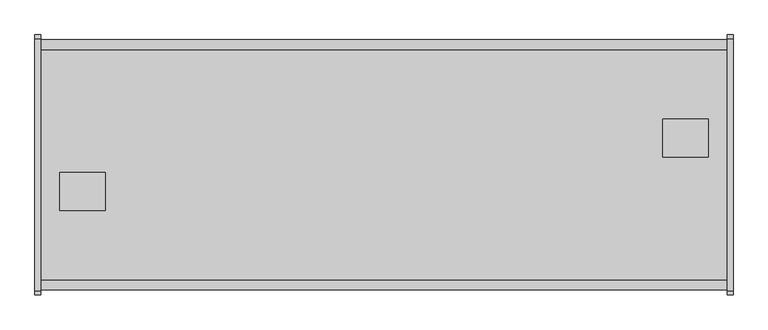
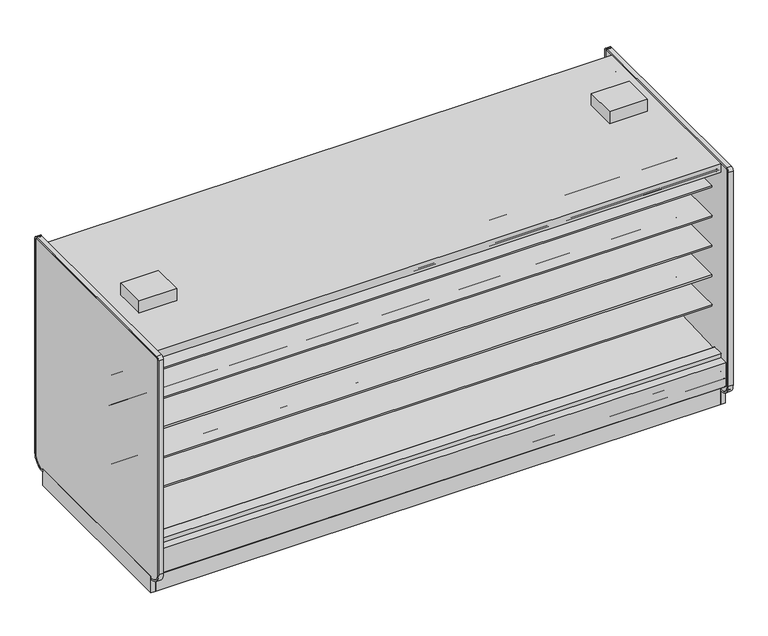
"""IFC4 building model written with IfcOpenShell, lengths in millimetres: proxy geometry."""

from ifc_helpers import new_model, si_unit, point, frame, frame_2d, origin, origin_with_axes, place, context, project, spatial, polyline, circle_curve, trimmed, segment, composite_curve, outline, extrude, source, transform, mapped, element, save
from ifc_brep_helpers import plane_surface, revolved_surface, advanced_brep


def mechanical_equipment_2ff19c11(model_context):
    return source(origin(), model_context, "Body", "SolidModel", [
        extrude(outline(polyline([(0.0, -55.2269619), (0.0, 0.0), (4572.0, 0.0), (4572.0, -55.2269619), (0.0, -55.2269619)])), frame((4572.0, 269.4010876, 1960.5227388), z_axis=(0.0, -0.08121412725315148, 0.9966966767951566), x_axis=(-1.0, 0.0, 0.0)), (0.0, 0.0, 1.0), 9.7968943),
        extrude(outline(polyline([(0.0, -55.226962), (0.0, 0.0), (4572.0, 0.0), (4572.0, -55.226962), (0.0, -55.226962)])), frame((4572.0, -1070.8468716, 1965.0079483), z_axis=(0.0, 0.08121412725315148, 0.9966966767951566), x_axis=(-1.0, 0.0, 0.0)), (0.0, 0.0, 1.0), 9.7968943),
        extrude(outline(polyline([(-1113.7914467, 0.0), (-1132.0256273, 0.0), (-1132.0256273, 208.2950835), (-1113.7914467, 192.9947894), (-1113.7914467, 0.0)])), frame((0.0, 0.0, 0.0), z_axis=(1.0, 0.0, 0.0), x_axis=(0.0, 1.0, 0.0)), (0.0, 0.0, 1.0), 4572.0),
        extrude(outline(polyline([(367.3901921, 0.0), (367.3901921, 192.9947894), (385.6243727, 208.2950835), (385.6243727, 0.0), (367.3901921, 0.0)])), frame((0.0, 0.0, 0.0), z_axis=(1.0, 0.0, 0.0), x_axis=(0.0, 1.0, 0.0)), (0.0, 0.0, 1.0), 4572.0),
        extrude(outline(composite_curve([segment(polyline([(-292.5492106, 1191.008004), (-292.5492106, 1291.8182795), (266.2507894, 1291.8182795), (266.2507894, 1278.3245295), (145.7947875, 1278.3245295), (145.7947875, 1274.0402031), (-193.6128858, 1241.429713)]), True, "CONTINUOUS"), segment(trimmed(circle_curve(frame_2d((-186.7598764, 1178.3005893)), 63.5), [point((-193.6128858, 1241.429713))], [point((-226.8243495, 1227.5660741))], True, "CARTESIAN"), True, "CONTINUOUS"), segment(polyline([(-226.8243495, 1227.5660741), (-265.0460501, 1196.4828055)]), True, "CONTINUOUS"), segment(trimmed(circle_curve(frame_2d((-280.9533727, 1215.8477147)), 25.0607786), [point((-265.0460501, 1196.4828055))], [point((-281.4413184, 1190.7916869))], False, "CARTESIAN"), True, "CONTINUOUS"), segment(polyline([(-281.4413184, 1190.7916869), (-292.5492106, 1191.008004)]), True, "CONTINUOUS")], self_intersect=False)), frame((0.0, 0.0, 0.0), z_axis=(1.0, 0.0, 0.0), x_axis=(0.0, 1.0, 0.0)), (0.0, 0.0, 1.0), 4572.0),
        extrude(outline(composite_curve([segment(polyline([(-292.5492106, 1699.008004), (-292.5492106, 1799.8182795), (266.2507894, 1799.8182795), (266.2507894, 1786.3245295), (145.7947875, 1786.3245295), (145.7947875, 1782.0402031), (-193.6128858, 1749.429713)]), True, "CONTINUOUS"), segment(trimmed(circle_curve(frame_2d((-186.7598764, 1686.3005893)), 63.5), [point((-193.6128858, 1749.429713))], [point((-226.8243495, 1735.5660741))], True, "CARTESIAN"), True, "CONTINUOUS"), segment(polyline([(-226.8243495, 1735.5660741), (-265.0460501, 1704.4828055)]), True, "CONTINUOUS"), segment(trimmed(circle_curve(frame_2d((-280.9533727, 1723.8477147)), 25.0607786), [point((-265.0460501, 1704.4828055))], [point((-281.4413184, 1698.7916869))], False, "CARTESIAN"), True, "CONTINUOUS"), segment(polyline([(-281.4413184, 1698.7916869), (-292.5492106, 1699.008004)]), True, "CONTINUOUS")], self_intersect=False)), frame((0.0, 0.0, 0.0), z_axis=(1.0, 0.0, 0.0), x_axis=(0.0, 1.0, 0.0)), (0.0, 0.0, 1.0), 4572.0),
        extrude(outline(composite_curve([segment(polyline([(-292.5492106, 937.4028663), (-292.5492106, 1038.2131418), (266.2507894, 1038.2131418), (266.2507894, 1024.7193918), (145.7947875, 1024.7193918), (145.7947875, 1020.4350654), (-193.6128858, 987.8245753)]), True, "CONTINUOUS"), segment(trimmed(circle_curve(frame_2d((-186.7598764, 924.6954515)), 63.5), [point((-193.6128858, 987.8245753))], [point((-226.8243495, 973.9609363))], True, "CARTESIAN"), True, "CONTINUOUS"), segment(polyline([(-226.8243495, 973.9609363), (-265.0460501, 942.8776678)]), True, "CONTINUOUS"), segment(trimmed(circle_curve(frame_2d((-280.9533727, 962.242577)), 25.0607786), [point((-265.0460501, 942.8776678))], [point((-281.4413184, 937.1865491))], False, "CARTESIAN"), True, "CONTINUOUS"), segment(polyline([(-281.4413184, 937.1865491), (-292.5492106, 937.4028663)]), True, "CONTINUOUS")], self_intersect=False)), frame((0.0, 0.0, 0.0), z_axis=(1.0, 0.0, 0.0), x_axis=(0.0, 1.0, 0.0)), (0.0, 0.0, 1.0), 4572.0),
        extrude(outline(composite_curve([segment(polyline([(-292.5492106, 1445.008004), (-292.5492106, 1545.8182795), (266.2507894, 1545.8182795), (266.2507894, 1532.3245295), (145.7947875, 1532.3245295), (145.7947875, 1528.0402031), (-193.6128858, 1495.429713)]), True, "CONTINUOUS"), segment(trimmed(circle_curve(frame_2d((-186.7598764, 1432.3005893)), 63.5), [point((-193.6128858, 1495.429713))], [point((-226.8243495, 1481.5660741))], True, "CARTESIAN"), True, "CONTINUOUS"), segment(polyline([(-226.8243495, 1481.5660741), (-265.0460501, 1450.4828055)]), True, "CONTINUOUS"), segment(trimmed(circle_curve(frame_2d((-280.9533727, 1469.8477147)), 25.0607786), [point((-265.0460501, 1450.4828055))], [point((-281.4413184, 1444.7916869))], False, "CARTESIAN"), True, "CONTINUOUS"), segment(polyline([(-281.4413184, 1444.7916869), (-292.5492106, 1445.008004)]), True, "CONTINUOUS")], self_intersect=False)), frame((0.0, 0.0, 0.0), z_axis=(1.0, 0.0, 0.0), x_axis=(0.0, 1.0, 0.0)), (0.0, 0.0, 1.0), 4572.0),
        extrude(outline(composite_curve([segment(polyline([(-292.5492106, 683.008004), (-292.5492106, 783.8182795), (266.2507894, 783.8182795), (266.2507894, 770.3245295), (145.7947875, 770.3245295), (145.7947875, 766.0402031), (-193.6128858, 733.429713)]), True, "CONTINUOUS"), segment(trimmed(circle_curve(frame_2d((-186.7598764, 670.3005893)), 63.5), [point((-193.6128858, 733.429713))], [point((-226.8243495, 719.5660741))], True, "CARTESIAN"), True, "CONTINUOUS"), segment(polyline([(-226.8243495, 719.5660741), (-265.0460501, 688.4828055)]), True, "CONTINUOUS"), segment(trimmed(circle_curve(frame_2d((-280.9533727, 707.8477147)), 25.0607786), [point((-265.0460501, 688.4828055))], [point((-281.4413184, 682.7916869))], False, "CARTESIAN"), True, "CONTINUOUS"), segment(polyline([(-281.4413184, 682.7916869), (-292.5492106, 683.008004)]), True, "CONTINUOUS")], self_intersect=False)), frame((0.0, 0.0, 0.0), z_axis=(1.0, 0.0, 0.0), x_axis=(0.0, 1.0, 0.0)), (0.0, 0.0, 1.0), 4572.0),
        extrude(outline(composite_curve([segment(polyline([(-453.852044, 1191.008004), (-464.9599362, 1190.7916869)]), True, "CONTINUOUS"), segment(trimmed(circle_curve(frame_2d((-465.4478819, 1215.8477147)), 25.0607786), [point((-464.9599362, 1190.7916869))], [point((-481.3552045, 1196.4828055))], False, "CARTESIAN"), True, "CONTINUOUS"), segment(polyline([(-481.3552045, 1196.4828055), (-519.5769051, 1227.5660741)]), True, "CONTINUOUS"), segment(trimmed(circle_curve(frame_2d((-559.6413782, 1178.3005893)), 63.5), [point((-519.5769051, 1227.5660741))], [point((-552.7883688, 1241.429713))], True, "CARTESIAN"), True, "CONTINUOUS"), segment(polyline([(-552.7883688, 1241.429713), (-892.1960421, 1274.0402031), (-892.1960421, 1278.3245295), (-1012.652044, 1278.3245295), (-1012.652044, 1291.8182795), (-453.852044, 1291.8182795), (-453.852044, 1191.008004)]), True, "CONTINUOUS")], self_intersect=False)), frame((0.0, 0.0, 0.0), z_axis=(1.0, 0.0, 0.0), x_axis=(0.0, 1.0, 0.0)), (0.0, 0.0, 1.0), 4572.0),
        extrude(outline(composite_curve([segment(polyline([(-453.852044, 1699.008004), (-464.9599362, 1698.7916869)]), True, "CONTINUOUS"), segment(trimmed(circle_curve(frame_2d((-465.4478819, 1723.8477147)), 25.0607786), [point((-464.9599362, 1698.7916869))], [point((-481.3552045, 1704.4828055))], False, "CARTESIAN"), True, "CONTINUOUS"), segment(polyline([(-481.3552045, 1704.4828055), (-519.5769051, 1735.5660741)]), True, "CONTINUOUS"), segment(trimmed(circle_curve(frame_2d((-559.6413782, 1686.3005893)), 63.5), [point((-519.5769051, 1735.5660741))], [point((-552.7883688, 1749.429713))], True, "CARTESIAN"), True, "CONTINUOUS"), segment(polyline([(-552.7883688, 1749.429713), (-892.1960421, 1782.0402031), (-892.1960421, 1786.3245295), (-1012.652044, 1786.3245295), (-1012.652044, 1799.8182795), (-453.852044, 1799.8182795), (-453.852044, 1699.008004)]), True, "CONTINUOUS")], self_intersect=False)), frame((0.0, 0.0, 0.0), z_axis=(1.0, 0.0, 0.0), x_axis=(0.0, 1.0, 0.0)), (0.0, 0.0, 1.0), 4572.0),
        extrude(outline(composite_curve([segment(polyline([(-453.852044, 937.4028663), (-464.9599362, 937.1865491)]), True, "CONTINUOUS"), segment(trimmed(circle_curve(frame_2d((-465.4478819, 962.242577)), 25.0607786), [point((-464.9599362, 937.1865491))], [point((-481.3552045, 942.8776678))], False, "CARTESIAN"), True, "CONTINUOUS"), segment(polyline([(-481.3552045, 942.8776678), (-519.5769051, 973.9609363)]), True, "CONTINUOUS"), segment(trimmed(circle_curve(frame_2d((-559.6413782, 924.6954515)), 63.5), [point((-519.5769051, 973.9609363))], [point((-552.7883688, 987.8245753))], True, "CARTESIAN"), True, "CONTINUOUS"), segment(polyline([(-552.7883688, 987.8245753), (-892.1960421, 1020.4350654), (-892.1960421, 1024.7193918), (-1012.652044, 1024.7193918), (-1012.652044, 1038.2131418), (-453.852044, 1038.2131418), (-453.852044, 937.4028663)]), True, "CONTINUOUS")], self_intersect=False)), frame((0.0, 0.0, 0.0), z_axis=(1.0, 0.0, 0.0), x_axis=(0.0, 1.0, 0.0)), (0.0, 0.0, 1.0), 4572.0),
        extrude(outline(composite_curve([segment(polyline([(-453.852044, 1445.008004), (-464.9599362, 1444.7916869)]), True, "CONTINUOUS"), segment(trimmed(circle_curve(frame_2d((-465.4478819, 1469.8477147)), 25.0607786), [point((-464.9599362, 1444.7916869))], [point((-481.3552045, 1450.4828055))], False, "CARTESIAN"), True, "CONTINUOUS"), segment(polyline([(-481.3552045, 1450.4828055), (-519.5769051, 1481.5660741)]), True, "CONTINUOUS"), segment(trimmed(circle_curve(frame_2d((-559.6413782, 1432.3005893)), 63.5), [point((-519.5769051, 1481.5660741))], [point((-552.7883688, 1495.429713))], True, "CARTESIAN"), True, "CONTINUOUS"), segment(polyline([(-552.7883688, 1495.429713), (-892.1960421, 1528.0402031), (-892.1960421, 1532.3245295), (-1012.652044, 1532.3245295), (-1012.652044, 1545.8182795), (-453.852044, 1545.8182795), (-453.852044, 1445.008004)]), True, "CONTINUOUS")], self_intersect=False)), frame((0.0, 0.0, 0.0), z_axis=(1.0, 0.0, 0.0), x_axis=(0.0, 1.0, 0.0)), (0.0, 0.0, 1.0), 4572.0),
        extrude(outline(polyline([(127.0, -678.0076294), (127.0, -424.0076294), (431.8, -424.0076294), (431.8, -678.0076294), (127.0, -678.0076294)])), frame((0.0, 0.0, 2064.6129579), z_axis=(0.0, 0.0, 1.0), x_axis=(1.0, 0.0, 0.0)), (0.0, 0.0, 1.0), 100.3101563),
        extrude(outline(polyline([(4445.0, -68.4076294), (4445.0, -322.4076294), (4140.2, -322.4076294), (4140.2, -68.4076294), (4445.0, -68.4076294)])), frame((0.0, 0.0, 2064.6129579), z_axis=(0.0, 0.0, 1.0), x_axis=(1.0, 0.0, 0.0)), (0.0, 0.0, 1.0), 100.3101563),
        extrude(outline(composite_curve([segment(polyline([(-113.5046773, 1969.4201079), (-292.5492106, 1969.4201079), (-292.5492106, 445.9092331), (-344.0537782, 445.9092331), (-344.0537782, 1994.8201079), (357.6691327, 1994.8201079), (357.6691327, 1988.6654182)]), True, "CONTINUOUS"), segment(trimmed(circle_curve(frame_2d((355.1291327, 1988.6654182)), 2.54), [point((357.6691327, 1988.6654182))], [point((355.1291327, 1986.1254182))], False, "CARTESIAN"), True, "CONTINUOUS"), segment(polyline([(355.1291327, 1986.1254182), (341.1591327, 1986.1254182)]), True, "CONTINUOUS"), segment(trimmed(circle_curve(frame_2d((341.1591327, 1983.5854182)), 2.54), [point((341.1591327, 1986.1254182))], [point((338.6191327, 1983.5854182))], True, "CARTESIAN"), True, "CONTINUOUS"), segment(polyline([(338.6191327, 1983.5854182), (338.6191327, 1967.9723079)]), True, "CONTINUOUS"), segment(trimmed(circle_curve(frame_2d((336.0791327, 1967.9723079)), 2.54), [point((338.6191327, 1967.9723079))], [point((336.0791327, 1965.4323079))], False, "CARTESIAN"), True, "CONTINUOUS"), segment(polyline([(336.0791327, 1965.4323079), (326.8589327, 1965.4323079)]), True, "CONTINUOUS"), segment(trimmed(circle_curve(frame_2d((326.8589327, 1967.9723079)), 2.54), [point((326.8589327, 1965.4323079))], [point((324.3189327, 1967.9723079))], False, "CARTESIAN"), True, "CONTINUOUS"), segment(polyline([(324.3189327, 1967.9723079), (324.3189327, 1975.6233702), (268.3517007, 1971.0629758), (268.3793925, 1969.4201079), (-113.5046773, 1969.4201079)]), True, "CONTINUOUS")], self_intersect=False)), frame((0.0, 0.0, 0.0), z_axis=(1.0, 0.0, 0.0), x_axis=(0.0, 1.0, 0.0)), (0.0, 0.0, 1.0), 4572.0),
        extrude(outline(composite_curve([segment(polyline([(-292.5492106, 445.9092331), (298.0007894, 423.8521774), (298.0007894, 439.1279)]), True, "CONTINUOUS"), segment(trimmed(circle_curve(frame_2d((300.0581894, 439.1279)), 2.0574), [point((298.0007894, 439.1279))], [point((300.0581894, 441.1853))], False, "CARTESIAN"), True, "CONTINUOUS"), segment(polyline([(300.0581894, 441.1853), (392.3576928, 441.1853), (392.3576928, 284.6079278), (278.9642261, 189.4595117), (263.4186894, 190.0023738), (218.0664947, 157.1934642), (153.5641842, 159.4459345), (113.4809582, 192.9404113), (-344.0537782, 220.4377575), (-344.0537782, 445.9092331), (-292.5492106, 445.9092331)]), True, "CONTINUOUS")], self_intersect=False)), frame((0.0, 0.0, 0.0), z_axis=(1.0, 0.0, 0.0), x_axis=(0.0, 1.0, 0.0)), (0.0, 0.0, 1.0), 4572.0),
        extrude(outline(composite_curve([segment(polyline([(-453.852044, 683.008004), (-464.9599362, 682.7916869)]), True, "CONTINUOUS"), segment(trimmed(circle_curve(frame_2d((-465.4478819, 707.8477147)), 25.0607786), [point((-464.9599362, 682.7916869))], [point((-481.3552045, 688.4828055))], False, "CARTESIAN"), True, "CONTINUOUS"), segment(polyline([(-481.3552045, 688.4828055), (-519.5769051, 719.5660741)]), True, "CONTINUOUS"), segment(trimmed(circle_curve(frame_2d((-559.6413782, 670.3005893)), 63.5), [point((-519.5769051, 719.5660741))], [point((-552.7883688, 733.429713))], True, "CARTESIAN"), True, "CONTINUOUS"), segment(polyline([(-552.7883688, 733.429713), (-892.1960421, 766.0402031), (-892.1960421, 770.3245295), (-1012.652044, 770.3245295), (-1012.652044, 783.8182795), (-453.852044, 783.8182795), (-453.852044, 683.008004)]), True, "CONTINUOUS")], self_intersect=False)), frame((0.0, 0.0, 0.0), z_axis=(1.0, 0.0, 0.0), x_axis=(0.0, 1.0, 0.0)), (0.0, 0.0, 1.0), 4572.0),
        extrude(outline(composite_curve([segment(trimmed(circle_curve(frame_2d((-1200.2881273, 201.3982889)), 6.35), [point((-1197.1139382, 195.8985595))], [point((-1206.6381273, 201.3982889))], False, "CARTESIAN"), True, "CONTINUOUS"), segment(polyline([(-1206.6381273, 201.3982889), (-1206.6381273, 404.6728), (-1138.7589474, 404.6728), (-1138.7589474, 391.9982), (-1189.8487273, 391.9982), (-1189.8487273, 256.8144254), (-1149.7974725, 223.2074323), (-1197.1139382, 195.8985595)]), True, "CONTINUOUS")], self_intersect=False)), frame((0.0, 0.0, 0.0), z_axis=(1.0, 0.0, 0.0), x_axis=(0.0, 1.0, 0.0)), (0.0, 0.0, 1.0), 4572.0),
        extrude(outline(composite_curve([segment(polyline([(450.7126836, 195.8985595), (403.3962179, 223.2074323), (443.4474727, 256.8144254), (443.4474727, 391.9982), (392.3576928, 391.9982), (392.3576928, 404.6728), (460.2368727, 404.6728), (460.2368727, 201.3982889)]), True, "CONTINUOUS"), segment(trimmed(circle_curve(frame_2d((453.8868727, 201.3982889)), 6.35), [point((460.2368727, 201.3982889))], [point((450.7126836, 195.8985595))], False, "CARTESIAN"), True, "CONTINUOUS")], self_intersect=False)), frame((0.0, 0.0, 0.0), z_axis=(1.0, 0.0, 0.0), x_axis=(0.0, 1.0, 0.0)), (0.0, 0.0, 1.0), 4572.0),
        extrude(outline(polyline([(-1039.3495247, 130.5306), (-1189.8487273, 256.8144254), (-1189.8487273, 391.9982), (-1138.7589474, 391.9982), (-1138.7589474, 284.6079278), (-1025.3654807, 189.4595117), (-1009.819944, 190.0023738), (-964.4677493, 157.1934642), (-899.9654388, 159.4459345), (-859.8822128, 192.9404113), (-402.3474764, 220.4377575), (-402.3474764, 1994.8201079), (-1138.7589474, 1994.8201079), (-1138.7589474, 2063.8192079), (392.3576928, 2063.8192079), (392.3576928, 1994.8201079), (-344.0537782, 1994.8201079), (-344.0537782, 220.4377575), (113.4809582, 192.9404113), (153.5641842, 159.4459345), (218.0664947, 157.1934642), (263.4186894, 190.0023738), (278.9642261, 189.4595117), (392.3576928, 284.6079278), (392.3576928, 391.9982), (443.4474727, 391.9982), (443.4474727, 256.8144254), (292.9482701, 130.5306), (-1039.3495247, 130.5306)])), frame((0.0, 0.0, 0.0), z_axis=(1.0, 0.0, 0.0), x_axis=(0.0, 1.0, 0.0)), (0.0, 0.0, 1.0), 4572.0),
        extrude(outline(composite_curve([segment(polyline([(-632.8965773, 1969.4201079), (-1014.7806471, 1969.4201079), (-1014.7529553, 1971.0629758), (-1070.7201873, 1975.6233702), (-1070.7201873, 1967.9723079)]), True, "CONTINUOUS"), segment(trimmed(circle_curve(frame_2d((-1073.2601873, 1967.9723079)), 2.54), [point((-1070.7201873, 1967.9723079))], [point((-1073.2601873, 1965.4323079))], False, "CARTESIAN"), True, "CONTINUOUS"), segment(polyline([(-1073.2601873, 1965.4323079), (-1082.4803873, 1965.4323079)]), True, "CONTINUOUS"), segment(trimmed(circle_curve(frame_2d((-1082.4803873, 1967.9723079)), 2.54), [point((-1082.4803873, 1965.4323079))], [point((-1085.0203873, 1967.9723079))], False, "CARTESIAN"), True, "CONTINUOUS"), segment(polyline([(-1085.0203873, 1967.9723079), (-1085.0203873, 1983.3544856)]), True, "CONTINUOUS"), segment(trimmed(circle_curve(frame_2d((-1087.5603873, 1983.3544856)), 2.54), [point((-1085.0203873, 1983.3544856))], [point((-1087.5603873, 1985.8944856))], True, "CARTESIAN"), True, "CONTINUOUS"), segment(polyline([(-1087.5603873, 1985.8944856), (-1101.5303873, 1985.8944856)]), True, "CONTINUOUS"), segment(trimmed(circle_curve(frame_2d((-1101.5303873, 1988.4344856)), 2.54), [point((-1101.5303873, 1985.8944856))], [point((-1104.0703873, 1988.4344856))], False, "CARTESIAN"), True, "CONTINUOUS"), segment(polyline([(-1104.0703873, 1988.4344856), (-1104.0703873, 1994.8201079), (-402.3474764, 1994.8201079), (-402.3474764, 445.9092331), (-453.852044, 445.9092331), (-453.852044, 1969.4201079), (-632.8965773, 1969.4201079)]), True, "CONTINUOUS")], self_intersect=False)), frame((0.0, 0.0, 0.0), z_axis=(1.0, 0.0, 0.0), x_axis=(0.0, 1.0, 0.0)), (0.0, 0.0, 1.0), 4572.0),
        advanced_brep(
        [(4572.0, -1113.7914467, 192.9947894), (4572.0, -1113.7914467, 0.0), (4572.0, -967.2684832, 0.0), (4572.0, -967.2684832, 130.5306), (4572.0, -1039.3495247, 130.5306), (0.0, -1113.7914467, 192.9947894), (0.0, -1039.3495247, 130.5306), (0.0, -967.2684832, 130.5306), (0.0, -967.2684832, 0.0), (0.0, -1113.7914467, 0.0), (245.6409893, -1113.7914467, 0.0), (245.6409893, -1113.7914467, 50.8), (466.3154811, -1113.7914467, 50.8), (466.3154811, -1113.7914467, 0.0), (466.3154811, -1038.8597182, 0.0), (245.6409893, -1038.8597182, 0.0), (2245.6679654, -967.2684832, 0.0), (2326.3320346, -967.2684832, 0.0), (4308.7614416, -967.2684832, 0.0), (4393.9135584, -967.2684832, 0.0), (4393.9135584, -967.2684832, 127.0), (4308.7614416, -967.2684832, 127.0), (2326.3320346, -967.2684832, 127.0), (2245.6679654, -967.2684832, 127.0), (466.3154811, -1038.8597182, 50.8), (245.6409893, -1038.8597182, 50.8)],
        [
            (0, 1),
            (1, 2),
            (2, 3),
            (3, 4),
            (4, 0),
            (5, 6),
            (6, 7),
            (7, 8),
            (8, 9),
            (9, 5),
            (0, 5),
            (9, 10),
            (10, 11),
            (11, 12),
            (12, 13),
            (13, 1),
            (13, 14),
            (14, 15),
            (15, 10),
            (8, 16),
            (16, 17, circle_curve(frame((2286.0, -936.3821273, 0.0), z_axis=(0.0, 0.0, 1.0), x_axis=(1.0, 0.0, 0.0)), 50.8)),
            (17, 18),
            (18, 19, circle_curve(frame((4351.3375, -939.5571273, 0.0), z_axis=(0.0, 0.0, 1.0), x_axis=(1.0, 0.0, 0.0)), 50.8)),
            (19, 2),
            (19, 20),
            (20, 21),
            (21, 18),
            (17, 22),
            (22, 23),
            (23, 16),
            (7, 3),
            (6, 4),
            (12, 24),
            (24, 14),
            (15, 25),
            (25, 11),
            (24, 25),
            (22, 23, circle_curve(frame((2286.0, -936.3821273, 127.0), z_axis=(0.0, 0.0, -1.0), x_axis=(1.0, 0.0, 0.0)), 50.8)),
            (20, 21, circle_curve(frame((4351.3375, -939.5571273, 127.0), z_axis=(0.0, 0.0, -1.0), x_axis=(1.0, 0.0, 0.0)), 50.8)),
        ],
        [
            plane_surface(frame((4572.0, -1113.7914467, 0.0), z_axis=(1.0, 0.0, 0.0), x_axis=(0.0, 0.0, -1.0))),
            plane_surface(frame((0.0, -1113.7914467, 0.0), z_axis=(-1.0, 0.0, 0.0), x_axis=(0.0, 0.0, 1.0))),
            plane_surface(frame((4572.0, -1113.7914467, 192.9947894), z_axis=(0.0, -1.0, 0.0), x_axis=(-1.0, 0.0, 0.0))),
            plane_surface(frame((4572.0, -1113.7914467, 0.0), z_axis=(0.0, 0.0, -1.0), x_axis=(-1.0, 0.0, 0.0))),
            plane_surface(frame((4572.0, -967.2684832, 0.0), z_axis=(0.0, 1.0, 0.0), x_axis=(-1.0, 0.0, 0.0))),
            plane_surface(frame((4572.0, -967.2684832, 130.5306), z_axis=(0.0, 0.0, 1.0), x_axis=(-1.0, 0.0, 0.0))),
            plane_surface(frame((4572.0, -1039.3495247, 130.5306), z_axis=(0.0, 0.6427876096877102, 0.7660444431179956), x_axis=(-1.0, 0.0, 0.0))),
            plane_surface(frame((466.3154811, -1038.8597182, 0.0), z_axis=(-1.0, 0.0, 0.0), x_axis=(0.0, 1.0, 0.0))),
            plane_surface(frame((245.6409893, -1038.8597182, 0.0), z_axis=(1.0, 0.0, 0.0), x_axis=(0.0, -1.0, 0.0))),
            plane_surface(frame((466.3154811, -1038.8597182, 0.0), z_axis=(0.0, -1.0, 0.0), x_axis=(-1.0, 0.0, 0.0))),
            plane_surface(frame((466.3154811, -1038.8597182, 50.8), z_axis=(0.0, 0.0, -1.0), x_axis=(-1.0, 0.0, 0.0))),
            plane_surface(frame((2336.8, -936.3821273, 127.0), z_axis=(0.0, 0.0, -1.0), x_axis=(0.0, 1.0, 0.0))),
            revolved_surface(polyline([(2336.8, -936.3821273, 127.0), (2336.8, -936.3821273, 0.0)]), (2286.0, -936.3821273, 0.0), (0.0, 0.0, 1.0)),
            plane_surface(frame((4402.1375, -939.5571273, 127.0), z_axis=(0.0, 0.0, -1.0), x_axis=(0.0, 1.0, 0.0))),
            revolved_surface(polyline([(4402.1375, -939.5571273, 127.0), (4402.1375, -939.5571273, 0.0)]), (4351.3375, -939.5571273, 0.0), (0.0, 0.0, 1.0)),
        ],
        [
            (0, [[1, 2, 3, 4, 5]]),
            (1, [[6, 7, 8, 9, 10]]),
            (2, [[-1, 11, -10, 12, 13, 14, 15, 16]]),
            (3, [[-2, -16, 17, 18, 19, -12, -9, 20, 21, 22, 23, 24]]),
            (4, [[-3, -24, 25, 26, 27, -22, 28, 29, 30, -20, -8, 31]]),
            (5, [[-4, -31, -7, 32]]),
            (6, [[-5, -32, -6, -11]]),
            (7, [[33, 34, -17, -15]]),
            (8, [[35, 36, -13, -19]]),
            (9, [[-34, 37, -35, -18]]),
            (10, [[-33, -14, -36, -37]]),
            (11, [[38, -29]]),
            (12, [[-38, -28, -21, -30]]),
            (13, [[39, -26]]),
            (14, [[-39, -25, -23, -27]]),
        ],
    ),
        advanced_brep(
        [(4572.0, 367.3901921, 192.9947894), (4572.0, 292.9482701, 130.5306), (4572.0, 220.8672286, 130.5306), (4572.0, 220.8672286, 0.0), (4572.0, 367.3901921, 0.0), (0.0, 367.3901921, 192.9947894), (0.0, 367.3901921, 0.0), (0.0, 220.8672286, 0.0), (0.0, 220.8672286, 130.5306), (0.0, 292.9482701, 130.5306), (2802.3590107, 367.3901921, 50.8), (2802.3590107, 292.4584636, 50.8), (2581.6845189, 292.4584636, 50.8), (2581.6845189, 367.3901921, 50.8), (2581.6845189, 292.4584636, 0.0), (2581.6845189, 367.3901921, 0.0), (2802.3590107, 292.4584636, 0.0), (2802.3590107, 367.3901921, 0.0), (178.0864416, 220.8672286, 127.0), (263.2385584, 220.8672286, 127.0), (178.0864416, 220.8672286, 0.0), (263.2385584, 220.8672286, 0.0), (2245.6679654, 220.8672286, 127.0), (2326.3320346, 220.8672286, 127.0), (2245.6679654, 220.8672286, 0.0), (2326.3320346, 220.8672286, 0.0)],
        [
            (0, 1),
            (1, 2),
            (2, 3),
            (3, 4),
            (4, 0),
            (5, 6),
            (6, 7),
            (7, 8),
            (8, 9),
            (9, 5),
            (10, 11),
            (11, 12),
            (12, 13),
            (13, 10),
            (12, 14),
            (14, 15),
            (15, 13),
            (11, 16),
            (16, 14),
            (10, 17),
            (17, 16),
            (18, 19, circle_curve(frame((220.6625, 193.1558727, 127.0), z_axis=(0.0, 0.0, -1.0), x_axis=(-1.0, 0.0, 0.0)), 50.8)),
            (19, 18),
            (18, 20),
            (20, 21, circle_curve(frame((220.6625, 193.1558727, 0.0), z_axis=(0.0, 0.0, -1.0), x_axis=(-1.0, 0.0, 0.0)), 50.8)),
            (21, 19),
            (22, 23, circle_curve(frame((2286.0, 189.9808727, 127.0), z_axis=(0.0, 0.0, -1.0), x_axis=(1.0, 0.0, 0.0)), 50.8)),
            (23, 22),
            (22, 24),
            (24, 25, circle_curve(frame((2286.0, 189.9808727, 0.0), z_axis=(0.0, 0.0, -1.0), x_axis=(1.0, 0.0, 0.0)), 50.8)),
            (25, 23),
            (0, 5),
            (9, 1),
            (8, 2),
            (7, 20),
            (21, 24),
            (25, 3),
            (6, 15),
            (17, 4),
        ],
        [
            plane_surface(frame((4572.0, -1113.7914467, 0.0), z_axis=(1.0, 0.0, 0.0), x_axis=(0.0, 0.0, -1.0))),
            plane_surface(frame((0.0, -1113.7914467, 0.0), z_axis=(-1.0, 0.0, 0.0), x_axis=(0.0, 0.0, 1.0))),
            plane_surface(frame((2581.6845189, 367.3901921, 50.8), z_axis=(0.0, 0.0, -1.0), x_axis=(0.0, -1.0, 0.0))),
            plane_surface(frame((2581.6845189, 367.3901921, 50.8), z_axis=(1.0, 0.0, 0.0), x_axis=(0.0, 0.0, -1.0))),
            plane_surface(frame((2581.6845189, 292.4584636, 50.8), z_axis=(0.0, 1.0, 0.0), x_axis=(0.0, 0.0, -1.0))),
            plane_surface(frame((2802.3590107, 292.4584636, 50.8), z_axis=(-1.0, 0.0, 0.0), x_axis=(0.0, 0.0, -1.0))),
            plane_surface(frame((169.8625, 193.1558727, 127.0), z_axis=(0.0, 0.0, -1.0), x_axis=(0.0, -1.0, 0.0))),
            revolved_surface(polyline([(169.8625, 193.1558727, 127.0), (169.8625, 193.1558727, 0.0)]), (220.6625, 193.1558727, 0.0), (0.0, 0.0, 1.0)),
            plane_surface(frame((2336.8, 189.9808727, 127.0), z_axis=(0.0, 0.0, -1.0), x_axis=(0.0, 1.0, 0.0))),
            revolved_surface(polyline([(2336.8, 189.9808727, 127.0), (2336.8, 189.9808727, 0.0)]), (2286.0, 189.9808727, 0.0), (0.0, 0.0, 1.0)),
            plane_surface(frame((4572.0, 367.3901921, 192.9947894), z_axis=(0.0, -0.6427876096877103, 0.7660444431179955), x_axis=(-1.0, 0.0, 0.0))),
            plane_surface(frame((4572.0, 292.9482701, 130.5306), z_axis=(0.0, 0.0, 1.0), x_axis=(-1.0, 0.0, 0.0))),
            plane_surface(frame((4572.0, 220.8672286, 130.5306), z_axis=(0.0, -1.0, 0.0), x_axis=(-1.0, 0.0, 0.0))),
            plane_surface(frame((4572.0, 220.8672286, 0.0), z_axis=(0.0, 0.0, -1.0), x_axis=(-1.0, 0.0, 0.0))),
            plane_surface(frame((4572.0, 367.3901921, 0.0), z_axis=(0.0, 1.0, 0.0), x_axis=(-1.0, 0.0, 0.0))),
        ],
        [
            (0, [[1, 2, 3, 4, 5]]),
            (1, [[6, 7, 8, 9, 10]]),
            (2, [[11, 12, 13, 14]]),
            (3, [[-13, 15, 16, 17]]),
            (4, [[-12, 18, 19, -15]]),
            (5, [[-11, 20, 21, -18]]),
            (6, [[22, 23]]),
            (7, [[-22, 24, 25, 26]]),
            (8, [[27, 28]]),
            (9, [[-27, 29, 30, 31]]),
            (10, [[-1, 32, -10, 33]]),
            (11, [[-2, -33, -9, 34]]),
            (12, [[-3, -34, -8, 35, -24, -23, -26, 36, -29, -28, -31, 37]]),
            (13, [[-4, -37, -30, -36, -25, -35, -7, 38, -16, -19, -21, 39]]),
            (14, [[-5, -39, -20, -14, -17, -38, -6, -32]]),
        ],
    ),
        advanced_brep(
        [(4572.0, -967.2684832, 0.0), (4572.0, -921.3326273, 0.0), (4572.0, -921.3326273, 74.8810382), (4572.0, 174.9313727, 74.8810382), (4572.0, 174.9313727, 0.0), (4572.0, 220.8672286, 0.0), (4572.0, 220.8672286, 130.5306), (4572.0, -967.2684832, 130.5306), (0.0, -967.2684832, 0.0), (0.0, -967.2684832, 130.5306), (0.0, 220.8672286, 130.5306), (0.0, 220.8672286, 0.0), (0.0, 174.9313727, 0.0), (0.0, 174.9313727, 74.8810382), (0.0, -921.3326273, 74.8810382), (0.0, -921.3326273, 0.0), (2245.6679654, -967.2684832, 0.0), (2245.6679654, -967.2684832, 127.0), (2326.3320346, -967.2684832, 127.0), (2326.3320346, -967.2684832, 0.0), (4308.7614416, -967.2684832, 0.0), (4308.7614416, -967.2684832, 127.0), (4393.9135584, -967.2684832, 127.0), (4393.9135584, -967.2684832, 0.0), (4402.1375, -939.5571273, 0.0), (4398.755931, -921.3326273, 0.0), (2237.48039, -921.3326273, 0.0), (2235.2, -936.3821273, 0.0), (2336.8, -936.3821273, 0.0), (2334.51961, -921.3326273, 0.0), (4303.919069, -921.3326273, 0.0), (4300.5375, -939.5571273, 0.0), (4398.755931, -921.3326273, 74.8810382), (2237.48039, -921.3326273, 74.8810382), (2334.51961, -921.3326273, 74.8810382), (4303.919069, -921.3326273, 74.8810382), (173.244069, 174.9313727, 74.8810382), (268.080931, 174.9313727, 74.8810382), (2237.48039, 174.9313727, 74.8810382), (2334.51961, 174.9313727, 74.8810382), (2235.2, -936.3821273, 127.0), (2336.8, -936.3821273, 127.0), (4300.5375, -939.5571273, 127.0), (4402.1375, -939.5571273, 127.0), (2334.51961, 174.9313727, 0.0), (173.244069, 174.9313727, 0.0), (268.080931, 174.9313727, 0.0), (2237.48039, 174.9313727, 0.0), (2336.8, 189.9808727, 0.0), (2326.3320346, 220.8672286, 0.0), (178.0864416, 220.8672286, 0.0), (169.8625, 193.1558727, 0.0), (271.4625, 193.1558727, 0.0), (263.2385584, 220.8672286, 0.0), (2245.6679654, 220.8672286, 0.0), (2235.2, 189.9808727, 0.0), (2326.3320346, 220.8672286, 127.0), (2245.6679654, 220.8672286, 127.0), (263.2385584, 220.8672286, 127.0), (178.0864416, 220.8672286, 127.0), (271.4625, 193.1558727, 127.0), (169.8625, 193.1558727, 127.0), (2336.8, 189.9808727, 127.0), (2235.2, 189.9808727, 127.0)],
        [
            (0, 1),
            (1, 2),
            (2, 3),
            (3, 4),
            (4, 5),
            (5, 6),
            (6, 7),
            (7, 0),
            (8, 9),
            (9, 10),
            (10, 11),
            (11, 12),
            (12, 13),
            (13, 14),
            (14, 15),
            (15, 8),
            (6, 10),
            (9, 7),
            (8, 16),
            (16, 17),
            (17, 18),
            (18, 19),
            (19, 20),
            (20, 21),
            (21, 22),
            (22, 23),
            (23, 0),
            (23, 24, circle_curve(frame((4351.3375, -939.5571273, 0.0), z_axis=(0.0, 0.0, 1.0), x_axis=(1.0, 0.0, 0.0)), 50.8)),
            (24, 25, circle_curve(frame((4351.3375, -939.5571273, 0.0), z_axis=(0.0, 0.0, 1.0), x_axis=(1.0, 0.0, 0.0)), 50.8)),
            (25, 1),
            (15, 26),
            (26, 27, circle_curve(frame((2286.0, -936.3821273, 0.0), z_axis=(0.0, 0.0, 1.0), x_axis=(1.0, 0.0, 0.0)), 50.8)),
            (27, 16, circle_curve(frame((2286.0, -936.3821273, 0.0), z_axis=(0.0, 0.0, 1.0), x_axis=(1.0, 0.0, 0.0)), 50.8)),
            (19, 28, circle_curve(frame((2286.0, -936.3821273, 0.0), z_axis=(0.0, 0.0, 1.0), x_axis=(1.0, 0.0, 0.0)), 50.8)),
            (28, 29, circle_curve(frame((2286.0, -936.3821273, 0.0), z_axis=(0.0, 0.0, 1.0), x_axis=(1.0, 0.0, 0.0)), 50.8)),
            (29, 30),
            (30, 31, circle_curve(frame((4351.3375, -939.5571273, 0.0), z_axis=(0.0, 0.0, 1.0), x_axis=(1.0, 0.0, 0.0)), 50.8)),
            (31, 20, circle_curve(frame((4351.3375, -939.5571273, 0.0), z_axis=(0.0, 0.0, 1.0), x_axis=(1.0, 0.0, 0.0)), 50.8)),
            (25, 32),
            (32, 2),
            (14, 33),
            (33, 26),
            (29, 34),
            (34, 35),
            (35, 30),
            (32, 35, circle_curve(frame((4351.3375, -939.5571273, 74.8810382), z_axis=(0.0, 0.0, 1.0), x_axis=(1.0, 0.0, 0.0)), 50.8)),
            (34, 33, circle_curve(frame((2286.0, -936.3821273, 74.8810382), z_axis=(0.0, 0.0, 1.0), x_axis=(1.0, 0.0, 0.0)), 50.8)),
            (13, 36),
            (36, 37, circle_curve(frame((220.6625, 193.1558727, 74.8810382), z_axis=(0.0, 0.0, 1.0), x_axis=(-1.0, 0.0, 0.0)), 50.8)),
            (37, 38),
            (38, 39, circle_curve(frame((2286.0, 189.9808727, 74.8810382), z_axis=(0.0, 0.0, 1.0), x_axis=(1.0, 0.0, 0.0)), 50.8)),
            (39, 3),
            (40, 41, circle_curve(frame((2286.0, -936.3821273, 127.0), z_axis=(0.0, 0.0, -1.0), x_axis=(1.0, 0.0, 0.0)), 50.8)),
            (41, 18, circle_curve(frame((2286.0, -936.3821273, 127.0), z_axis=(0.0, 0.0, -1.0), x_axis=(1.0, 0.0, 0.0)), 50.8)),
            (17, 40, circle_curve(frame((2286.0, -936.3821273, 127.0), z_axis=(0.0, 0.0, -1.0), x_axis=(1.0, 0.0, 0.0)), 50.8)),
            (41, 28),
            (27, 40),
            (42, 43, circle_curve(frame((4351.3375, -939.5571273, 127.0), z_axis=(0.0, 0.0, -1.0), x_axis=(1.0, 0.0, 0.0)), 50.8)),
            (43, 22, circle_curve(frame((4351.3375, -939.5571273, 127.0), z_axis=(0.0, 0.0, -1.0), x_axis=(1.0, 0.0, 0.0)), 50.8)),
            (21, 42, circle_curve(frame((4351.3375, -939.5571273, 127.0), z_axis=(0.0, 0.0, -1.0), x_axis=(1.0, 0.0, 0.0)), 50.8)),
            (43, 24),
            (31, 42),
            (39, 44),
            (44, 4),
            (12, 45),
            (45, 36),
            (37, 46),
            (46, 47),
            (47, 38),
            (44, 48, circle_curve(frame((2286.0, 189.9808727, 0.0), z_axis=(0.0, 0.0, 1.0), x_axis=(1.0, 0.0, 0.0)), 50.8)),
            (48, 49, circle_curve(frame((2286.0, 189.9808727, 0.0), z_axis=(0.0, 0.0, 1.0), x_axis=(1.0, 0.0, 0.0)), 50.8)),
            (49, 5),
            (11, 50),
            (50, 51, circle_curve(frame((220.6625, 193.1558727, 0.0), z_axis=(0.0, 0.0, 1.0), x_axis=(-1.0, 0.0, 0.0)), 50.8)),
            (51, 45, circle_curve(frame((220.6625, 193.1558727, 0.0), z_axis=(0.0, 0.0, 1.0), x_axis=(-1.0, 0.0, 0.0)), 50.8)),
            (52, 53, circle_curve(frame((220.6625, 193.1558727, 0.0), z_axis=(0.0, 0.0, 1.0), x_axis=(-1.0, 0.0, 0.0)), 50.8)),
            (53, 54),
            (54, 55, circle_curve(frame((2286.0, 189.9808727, 0.0), z_axis=(0.0, 0.0, 1.0), x_axis=(1.0, 0.0, 0.0)), 50.8)),
            (55, 47, circle_curve(frame((2286.0, 189.9808727, 0.0), z_axis=(0.0, 0.0, 1.0), x_axis=(1.0, 0.0, 0.0)), 50.8)),
            (46, 52, circle_curve(frame((220.6625, 193.1558727, 0.0), z_axis=(0.0, 0.0, 1.0), x_axis=(-1.0, 0.0, 0.0)), 50.8)),
            (49, 56),
            (56, 57),
            (57, 54),
            (53, 58),
            (58, 59),
            (59, 50),
            (60, 61, circle_curve(frame((220.6625, 193.1558727, 127.0), z_axis=(0.0, 0.0, -1.0), x_axis=(-1.0, 0.0, 0.0)), 50.8)),
            (61, 59, circle_curve(frame((220.6625, 193.1558727, 127.0), z_axis=(0.0, 0.0, -1.0), x_axis=(-1.0, 0.0, 0.0)), 50.8)),
            (58, 60, circle_curve(frame((220.6625, 193.1558727, 127.0), z_axis=(0.0, 0.0, -1.0), x_axis=(-1.0, 0.0, 0.0)), 50.8)),
            (52, 60),
            (61, 51),
            (62, 63, circle_curve(frame((2286.0, 189.9808727, 127.0), z_axis=(0.0, 0.0, -1.0), x_axis=(1.0, 0.0, 0.0)), 50.8)),
            (63, 57, circle_curve(frame((2286.0, 189.9808727, 127.0), z_axis=(0.0, 0.0, -1.0), x_axis=(1.0, 0.0, 0.0)), 50.8)),
            (56, 62, circle_curve(frame((2286.0, 189.9808727, 127.0), z_axis=(0.0, 0.0, -1.0), x_axis=(1.0, 0.0, 0.0)), 50.8)),
            (48, 62),
            (63, 55),
        ],
        [
            plane_surface(frame((4572.0, -921.3326273, 0.0), z_axis=(1.0, 0.0, 0.0), x_axis=(0.0, 1.0, 0.0))),
            plane_surface(frame((0.0, -921.3326273, 0.0), z_axis=(-1.0, 0.0, 0.0), x_axis=(0.0, -1.0, 0.0))),
            plane_surface(frame((4572.0, 220.8672286, 130.5306), z_axis=(0.0, 0.0, 1.0), x_axis=(-1.0, 0.0, 0.0))),
            plane_surface(frame((4572.0, -967.2684832, 130.5306), z_axis=(0.0, -1.0, 0.0), x_axis=(-1.0, 0.0, 0.0))),
            plane_surface(frame((4572.0, -967.2684832, 0.0), z_axis=(0.0, 0.0, -1.0), x_axis=(-1.0, 0.0, 0.0))),
            plane_surface(frame((4572.0, -921.3326273, 0.0), z_axis=(0.0, 1.0, 0.0), x_axis=(-1.0, 0.0, 0.0))),
            plane_surface(frame((4572.0, -921.3326273, 74.8810382), z_axis=(0.0, 0.0, -1.0), x_axis=(-1.0, 0.0, 0.0))),
            plane_surface(frame((2336.8, -936.3821273, 127.0), z_axis=(0.0, 0.0, -1.0), x_axis=(0.0, 1.0, 0.0))),
            revolved_surface(polyline([(2336.8, -936.3821273, 127.0), (2336.8, -936.3821273, 0.0)]), (2286.0, -936.3821273, 0.0), (0.0, 0.0, 1.0)),
            plane_surface(frame((4402.1375, -939.5571273, 127.0), z_axis=(0.0, 0.0, -1.0), x_axis=(0.0, 1.0, 0.0))),
            revolved_surface(polyline([(4402.1375, -939.5571273, 127.0), (4402.1375, -939.5571273, 0.0)]), (4351.3375, -939.5571273, 0.0), (0.0, 0.0, 1.0)),
            plane_surface(frame((4572.0, 174.9313727, 74.8810382), z_axis=(0.0, -1.0, 0.0), x_axis=(-1.0, 0.0, 0.0))),
            plane_surface(frame((4572.0, 174.9313727, 0.0), z_axis=(0.0, 0.0, -1.0), x_axis=(-1.0, 0.0, 0.0))),
            plane_surface(frame((4572.0, 220.8672286, 0.0), z_axis=(0.0, 1.0, 0.0), x_axis=(-1.0, 0.0, 0.0))),
            plane_surface(frame((169.8625, 193.1558727, 127.0), z_axis=(0.0, 0.0, -1.0), x_axis=(0.0, -1.0, 0.0))),
            revolved_surface(polyline([(169.8625, 193.1558727, 127.0), (169.8625, 193.1558727, 0.0)]), (220.6625, 193.1558727, 0.0), (0.0, 0.0, 1.0)),
            plane_surface(frame((2336.8, 189.9808727, 127.0), z_axis=(0.0, 0.0, -1.0), x_axis=(0.0, 1.0, 0.0))),
            revolved_surface(polyline([(2336.8, 189.9808727, 127.0), (2336.8, 189.9808727, 0.0)]), (2286.0, 189.9808727, 0.0), (0.0, 0.0, 1.0)),
        ],
        [
            (0, [[1, 2, 3, 4, 5, 6, 7, 8]]),
            (1, [[9, 10, 11, 12, 13, 14, 15, 16]]),
            (2, [[-7, 17, -10, 18]]),
            (3, [[-8, -18, -9, 19, 20, 21, 22, 23, 24, 25, 26, 27]]),
            (4, [[-1, -27, 28, 29, 30]]),
            (4, [[-16, 31, 32, 33, -19]]),
            (4, [[34, 35, 36, 37, 38, -23]]),
            (5, [[-2, -30, 39, 40]]),
            (5, [[-15, 41, 42, -31]]),
            (5, [[43, 44, 45, -36]]),
            (6, [[-3, -40, 46, -44, 47, -41, -14, 48, 49, 50, 51, 52]]),
            (7, [[53, 54, -21, 55]]),
            (8, [[56, -34, -22, -54]]),
            (8, [[57, -55, -20, -33]]),
            (8, [[-53, -57, -32, -42, -47, -43, -35, -56]]),
            (9, [[58, 59, -25, 60]]),
            (10, [[61, -28, -26, -59]]),
            (10, [[62, -60, -24, -38]]),
            (10, [[-58, -62, -37, -45, -46, -39, -29, -61]]),
            (11, [[-4, -52, 63, 64]]),
            (11, [[-13, 65, 66, -48]]),
            (11, [[67, 68, 69, -50]]),
            (12, [[-5, -64, 70, 71, 72]]),
            (12, [[-12, 73, 74, 75, -65]]),
            (12, [[76, 77, 78, 79, -68, 80]]),
            (13, [[-6, -72, 81, 82, 83, -77, 84, 85, 86, -73, -11, -17]]),
            (14, [[87, 88, -85, 89]]),
            (15, [[90, -89, -84, -76]]),
            (15, [[91, -74, -86, -88]]),
            (15, [[-87, -90, -80, -67, -49, -66, -75, -91]]),
            (16, [[92, 93, -82, 94]]),
            (17, [[95, -94, -81, -71]]),
            (17, [[96, -78, -83, -93]]),
            (17, [[-92, -95, -70, -63, -51, -69, -79, -96]]),
        ],
    ),
        extrude(outline(composite_curve([segment(polyline([(-453.852044, 445.9092331), (-402.3474764, 445.9092331), (-402.3474764, 220.4377575), (-859.8822128, 192.9404113), (-899.9654388, 159.4459345), (-964.4677493, 157.1934642), (-1009.819944, 190.0023738), (-1025.3654807, 189.4595117), (-1138.7589474, 284.6079278), (-1138.7589474, 441.1853), (-1046.459444, 441.1853)]), True, "CONTINUOUS"), segment(trimmed(circle_curve(frame_2d((-1046.459444, 439.1279)), 2.0574), [point((-1046.459444, 441.1853))], [point((-1044.402044, 439.1279))], False, "CARTESIAN"), True, "CONTINUOUS"), segment(polyline([(-1044.402044, 439.1279), (-1044.402044, 423.8521774), (-453.852044, 445.9092331)]), True, "CONTINUOUS")], self_intersect=False)), frame((0.0, 0.0, 0.0), z_axis=(1.0, 0.0, 0.0), x_axis=(0.0, 1.0, 0.0)), (0.0, 0.0, 1.0), 4572.0),
        extrude(outline(composite_curve([segment(polyline([(-1239.5946273, 219.4306), (-1239.5946273, 2051.05)]), True, "CONTINUOUS"), segment(trimmed(circle_curve(frame_2d((-1214.1946273, 2051.05)), 25.4), [point((-1239.5946273, 2051.05))], [point((-1214.1946273, 2076.45))], False, "CARTESIAN"), True, "CONTINUOUS"), segment(polyline([(-1214.1946273, 2076.45), (467.7933727, 2076.45)]), True, "CONTINUOUS"), segment(trimmed(circle_curve(frame_2d((467.7933727, 2051.05)), 25.4), [point((467.7933727, 2076.45))], [point((493.1933727, 2051.05))], False, "CARTESIAN"), True, "CONTINUOUS"), segment(polyline([(493.1933727, 2051.05), (493.1933727, 219.4306)]), True, "CONTINUOUS"), segment(trimmed(circle_curve(frame_2d((391.5933727, 219.4306)), 101.6), [point((493.1933727, 219.4306))], [point((391.5933727, 117.8306))], False, "CARTESIAN"), True, "CONTINUOUS"), segment(polyline([(391.5933727, 117.8306), (385.6243727, 117.8306), (385.6243727, 130.5306), (391.5933727, 130.5306)]), True, "CONTINUOUS"), segment(trimmed(circle_curve(frame_2d((391.5933727, 219.4306)), 88.9), [point((391.5933727, 130.5306))], [point((480.4933727, 219.4306))], True, "CARTESIAN"), True, "CONTINUOUS"), segment(polyline([(480.4933727, 219.4306), (480.4933727, 2051.05)]), True, "CONTINUOUS"), segment(trimmed(circle_curve(frame_2d((467.7933727, 2051.05)), 12.7), [point((480.4933727, 2051.05))], [point((467.7933727, 2063.75))], True, "CARTESIAN"), True, "CONTINUOUS"), segment(polyline([(467.7933727, 2063.75), (-1214.1946273, 2063.75)]), True, "CONTINUOUS"), segment(trimmed(circle_curve(frame_2d((-1214.1946273, 2051.05)), 12.7), [point((-1214.1946273, 2063.75))], [point((-1226.8946273, 2051.05))], True, "CARTESIAN"), True, "CONTINUOUS"), segment(polyline([(-1226.8946273, 2051.05), (-1226.8946273, 219.4306)]), True, "CONTINUOUS"), segment(trimmed(circle_curve(frame_2d((-1137.9946273, 219.4306)), 88.9), [point((-1226.8946273, 219.4306))], [point((-1137.9946273, 130.5306))], True, "CARTESIAN"), True, "CONTINUOUS"), segment(polyline([(-1137.9946273, 130.5306), (-1132.0256273, 130.5306), (-1132.0256273, 117.8306), (-1137.9946273, 117.8306)]), True, "CONTINUOUS"), segment(trimmed(circle_curve(frame_2d((-1137.9946273, 219.4306)), 101.6), [point((-1137.9946273, 117.8306))], [point((-1239.5946273, 219.4306))], False, "CARTESIAN"), True, "CONTINUOUS")], self_intersect=False)), frame((4572.0, 0.0, 0.0), z_axis=(1.0, 0.0, 0.0), x_axis=(0.0, 1.0, 0.0)), (0.0, 0.0, 1.0), 38.1),
        extrude(outline(polyline([(4610.1, 385.6243727), (4610.1, -1132.0256273), (4572.0, -1132.0256273), (4572.0, 385.6243727), (4610.1, 385.6243727)])), origin_with_axes(), (0.0, 0.0, 1.0), 130.5306),
        extrude(outline(composite_curve([segment(polyline([(-1214.1946273, 2063.75), (467.7933727, 2063.75)]), True, "CONTINUOUS"), segment(trimmed(circle_curve(frame_2d((467.7933727, 2051.05)), 12.7), [point((467.7933727, 2063.75))], [point((480.4933727, 2051.05))], False, "CARTESIAN"), True, "CONTINUOUS"), segment(polyline([(480.4933727, 2051.05), (480.4933727, 219.4306)]), True, "CONTINUOUS"), segment(trimmed(circle_curve(frame_2d((391.5933727, 219.4306)), 88.9), [point((480.4933727, 219.4306))], [point((391.5933727, 130.5306))], False, "CARTESIAN"), True, "CONTINUOUS"), segment(polyline([(391.5933727, 130.5306), (-1137.9946273, 130.5306)]), True, "CONTINUOUS"), segment(trimmed(circle_curve(frame_2d((-1137.9946273, 219.4306)), 88.9), [point((-1137.9946273, 130.5306))], [point((-1226.8946273, 219.4306))], False, "CARTESIAN"), True, "CONTINUOUS"), segment(polyline([(-1226.8946273, 219.4306), (-1226.8946273, 2051.05)]), True, "CONTINUOUS"), segment(trimmed(circle_curve(frame_2d((-1214.1946273, 2051.05)), 12.7), [point((-1226.8946273, 2051.05))], [point((-1214.1946273, 2063.75))], False, "CARTESIAN"), True, "CONTINUOUS")], self_intersect=False)), frame((4572.0, 0.0, 0.0), z_axis=(1.0, 0.0, 0.0), x_axis=(0.0, 1.0, 0.0)), (0.0, 0.0, 1.0), 38.1),
        extrude(outline(composite_curve([segment(polyline([(-1239.5946273, 219.4306), (-1239.5946273, 2051.05)]), True, "CONTINUOUS"), segment(trimmed(circle_curve(frame_2d((-1214.1946273, 2051.05)), 25.4), [point((-1239.5946273, 2051.05))], [point((-1214.1946273, 2076.45))], False, "CARTESIAN"), True, "CONTINUOUS"), segment(polyline([(-1214.1946273, 2076.45), (467.7933727, 2076.45)]), True, "CONTINUOUS"), segment(trimmed(circle_curve(frame_2d((467.7933727, 2051.05)), 25.4), [point((467.7933727, 2076.45))], [point((493.1933727, 2051.05))], False, "CARTESIAN"), True, "CONTINUOUS"), segment(polyline([(493.1933727, 2051.05), (493.1933727, 219.4306)]), True, "CONTINUOUS"), segment(trimmed(circle_curve(frame_2d((391.5933727, 219.4306)), 101.6), [point((493.1933727, 219.4306))], [point((391.5933727, 117.8306))], False, "CARTESIAN"), True, "CONTINUOUS"), segment(polyline([(391.5933727, 117.8306), (385.6243727, 117.8306), (385.6243727, 130.5306), (391.5933727, 130.5306)]), True, "CONTINUOUS"), segment(trimmed(circle_curve(frame_2d((391.5933727, 219.4306)), 88.9), [point((391.5933727, 130.5306))], [point((480.4933727, 219.4306))], True, "CARTESIAN"), True, "CONTINUOUS"), segment(polyline([(480.4933727, 219.4306), (480.4933727, 2051.1192079)]), True, "CONTINUOUS"), segment(trimmed(circle_curve(frame_2d((467.7933727, 2051.1192079)), 12.7), [point((480.4933727, 2051.1192079))], [point((467.7933727, 2063.8192079))], True, "CARTESIAN"), True, "CONTINUOUS"), segment(polyline([(467.7933727, 2063.8192079), (-1214.1946273, 2063.8192079)]), True, "CONTINUOUS"), segment(trimmed(circle_curve(frame_2d((-1214.1946273, 2051.1192079)), 12.7), [point((-1214.1946273, 2063.8192079))], [point((-1226.8946273, 2051.1192079))], True, "CARTESIAN"), True, "CONTINUOUS"), segment(polyline([(-1226.8946273, 2051.1192079), (-1226.8946273, 219.4306)]), True, "CONTINUOUS"), segment(trimmed(circle_curve(frame_2d((-1137.9946273, 219.4306)), 88.9), [point((-1226.8946273, 219.4306))], [point((-1137.9946273, 130.5306))], True, "CARTESIAN"), True, "CONTINUOUS"), segment(polyline([(-1137.9946273, 130.5306), (-1132.0256273, 130.5306), (-1132.0256273, 117.8306), (-1137.9946273, 117.8306)]), True, "CONTINUOUS"), segment(trimmed(circle_curve(frame_2d((-1137.9946273, 219.4306)), 101.6), [point((-1137.9946273, 117.8306))], [point((-1239.5946273, 219.4306))], False, "CARTESIAN"), True, "CONTINUOUS")], self_intersect=False)), frame((-38.1, 0.0, 0.0), z_axis=(1.0, 0.0, 0.0), x_axis=(0.0, 1.0, 0.0)), (0.0, 0.0, 1.0), 38.1),
        extrude(outline(polyline([(0.0, 384.3797714), (0.0, -1130.781026), (-38.1, -1130.781026), (-38.1, 384.3797714), (0.0, 384.3797714)])), origin_with_axes(), (0.0, 0.0, 1.0), 143.2306),
        extrude(outline(composite_curve([segment(polyline([(-1214.1946273, 2063.8192079), (467.7933727, 2063.8192079)]), True, "CONTINUOUS"), segment(trimmed(circle_curve(frame_2d((467.7933727, 2051.1192079)), 12.7), [point((467.7933727, 2063.8192079))], [point((480.4933727, 2051.1192079))], False, "CARTESIAN"), True, "CONTINUOUS"), segment(polyline([(480.4933727, 2051.1192079), (480.4933727, 219.4306)]), True, "CONTINUOUS"), segment(trimmed(circle_curve(frame_2d((391.5933727, 219.4306)), 88.9), [point((480.4933727, 219.4306))], [point((391.5933727, 130.5306))], False, "CARTESIAN"), True, "CONTINUOUS"), segment(polyline([(391.5933727, 130.5306), (-1137.9946273, 130.5306)]), True, "CONTINUOUS"), segment(trimmed(circle_curve(frame_2d((-1137.9946273, 219.4306)), 88.9), [point((-1137.9946273, 130.5306))], [point((-1226.8946273, 219.4306))], False, "CARTESIAN"), True, "CONTINUOUS"), segment(polyline([(-1226.8946273, 219.4306), (-1226.8946273, 2051.1192079)]), True, "CONTINUOUS"), segment(trimmed(circle_curve(frame_2d((-1214.1946273, 2051.1192079)), 12.7), [point((-1226.8946273, 2051.1192079))], [point((-1214.1946273, 2063.8192079))], False, "CARTESIAN"), True, "CONTINUOUS")], self_intersect=False)), frame((-38.1, 0.0, 0.0), z_axis=(1.0, 0.0, 0.0), x_axis=(0.0, 1.0, 0.0)), (0.0, 0.0, 1.0), 38.1),
        extrude(outline(composite_curve([segment(trimmed(circle_curve(frame_2d((2286.0, 189.9808727)), 38.1), [point((2247.9, 189.9808727))], [point((2324.1, 189.9808727))], False, "CARTESIAN"), True, "CONTINUOUS"), segment(trimmed(circle_curve(frame_2d((2286.0, 189.9808727)), 38.1), [point((2324.1, 189.9808727))], [point((2247.9, 189.9808727))], False, "CARTESIAN"), True, "CONTINUOUS")], self_intersect=False)), frame((0.0, 0.0, 61.2666507), z_axis=(0.0, 0.0, 1.0), x_axis=(1.0, 0.0, 0.0)), (0.0, 0.0, 1.0), 65.7333493),
        extrude(outline(composite_curve([segment(trimmed(circle_curve(frame_2d((2286.0, -936.3821273)), 38.1), [point((2247.9, -936.3821273))], [point((2324.1, -936.3821273))], False, "CARTESIAN"), True, "CONTINUOUS"), segment(trimmed(circle_curve(frame_2d((2286.0, -936.3821273)), 38.1), [point((2324.1, -936.3821273))], [point((2247.9, -936.3821273))], False, "CARTESIAN"), True, "CONTINUOUS")], self_intersect=False)), frame((0.0, 0.0, 61.2666507), z_axis=(0.0, 0.0, 1.0), x_axis=(1.0, 0.0, 0.0)), (0.0, 0.0, 1.0), 65.7333493),
    ])


if __name__ == "__main__":
    model = new_model("IFC4")
    model_context = context("Model", 3, world=origin())
    ifc_project = project(units=[si_unit("LENGTHUNIT", "METRE", prefix="MILLI")], contexts=[model_context])
    site = spatial("IfcSite", under=ifc_project)
    building = spatial("IfcBuilding", under=site)
    placement = place(None, origin())
    mechanical_equipment_shape = mechanical_equipment_2ff19c11(model_context)
    element("IfcBuildingElementProxy", 1, Name="Mechanical Equipment", at=placement, inside=building, context=model_context, shape_type="MappedRepresentation", body=[
        mapped(mechanical_equipment_shape, transform((0.0, 0.0, 0.0), x_axis=(1.0, 0.0, 0.0), y_axis=(0.0, 1.0, 0.0), z_axis=(0.0, 0.0, 1.0))),
    ])
    save(model, "model.ifc")
